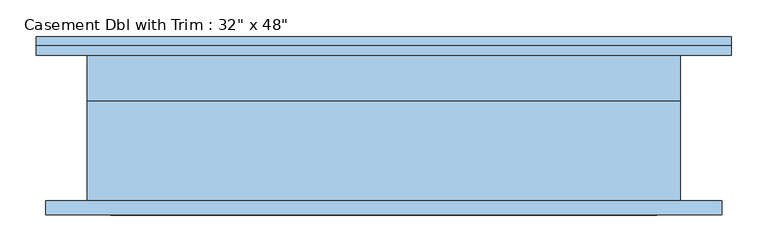
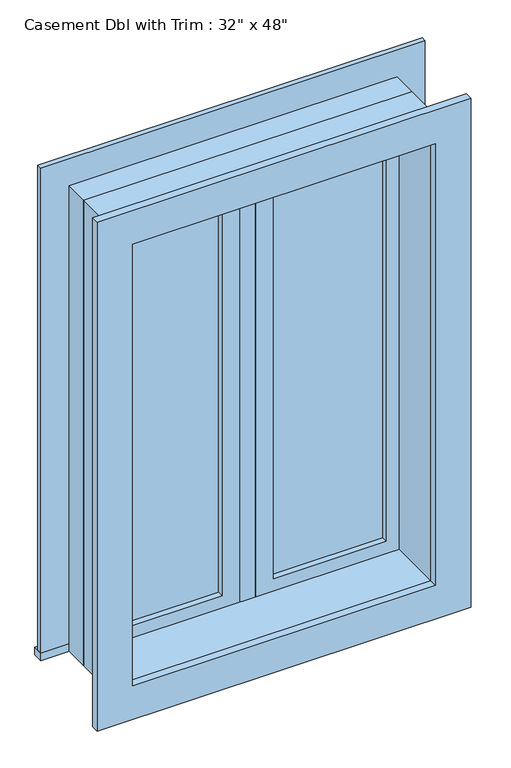
"""IFC4 building model written with IfcOpenShell, lengths in millimetres: window geometry."""

import ifcopenshell
import ifcopenshell.guid

model = None  # the IFC model being written
_history = None  # IfcOwnerHistory: only IFC2X3 demands one
_inside = {}  # id of a spatial element -> (the spatial element, [elements in it])
_under = {}  # id of a project, library or spatial element -> (it, [spatial elements below it])
_declared = {}  # id of a project -> (the project, [libraries it declares])
_typed = {}  # id of a type object -> (the type object, [elements of that type])
_made_of = {}  # id of a material, layer set ... -> (it, [elements and type objects made of it])


def new_model(schema):
    """Start an empty IFC model of exactly this schema.

    Asked for "IFC4X3", IfcOpenShell would pick the latest addendum, in which some entities
    have other attributes; the version numbers below select the first issue.
    IFC2X3 requires an IfcOwnerHistory on every rooted entity: one is made here for all.
    """
    global model, _history
    if schema == "IFC4X3":
        model = ifcopenshell.file(schema_version=(4, 3, 0, 0))
    else:
        model = ifcopenshell.file(schema=schema)
    _inside.clear()
    _under.clear()
    _declared.clear()
    _typed.clear()
    _made_of.clear()
    _history = None
    if model.schema == "IFC2X3":
        org = make("IfcOrganization", Name="unknown")
        user = make(
            "IfcPersonAndOrganization",
            ThePerson=make("IfcPerson", FamilyName="unknown"),
            TheOrganization=org,
        )
        app = make(
            "IfcApplication",
            ApplicationDeveloper=org,
            Version="unknown",
            ApplicationFullName="unknown",
            ApplicationIdentifier="unknown",
        )
        _history = make(
            "IfcOwnerHistory",
            OwningUser=user,
            OwningApplication=app,
            ChangeAction="ADDED",
            CreationDate=0,
        )
    return model


def make(cls, **values):
    """One entity of the class cls with the attributes given. An attribute that is None is left unset."""
    return model.create_entity(
        cls, **{name: value for name, value in values.items() if value is not None}
    )


def rooted(cls, **values):
    """An entity with a GlobalId (a new one), such as an element, a storey or a relation."""
    return make(cls, GlobalId=ifcopenshell.guid.new(), OwnerHistory=_history, **values)


def si_unit(unit_type, name, prefix=None):
    """IfcSIUnit, for example si_unit("LENGTHUNIT", "METRE", prefix="MILLI")."""
    return make("IfcSIUnit", UnitType=unit_type, Prefix=prefix, Name=name)


def assignment(units):
    """IfcUnitAssignment: the units of a project."""
    return None if units is None else make("IfcUnitAssignment", Units=units)


def point(xyz):
    """IfcCartesianPoint."""
    return None if xyz is None else make("IfcCartesianPoint", Coordinates=xyz)


def direction(xyz):
    """IfcDirection."""
    return None if xyz is None else make("IfcDirection", DirectionRatios=xyz)


def frame(location, z_axis=None, x_axis=None):
    """IfcAxis2Placement3D, a coordinate frame: its origin and axes. An axis left out is left unset."""
    return make(
        "IfcAxis2Placement3D",
        Location=point(location),
        Axis=direction(z_axis),
        RefDirection=direction(x_axis),
    )


def origin():
    """The frame at (0, 0, 0) with its axes left unset."""
    return frame((0.0, 0.0, 0.0))


def place(relative_to, where):
    """IfcLocalPlacement: puts the frame where relative to a parent placement (None: the world)."""
    return make(
        "IfcLocalPlacement", PlacementRelTo=relative_to, RelativePlacement=where
    )


def context(
    kind, dimensions, precision=None, world=None, true_north=None, identifier=None
):
    """IfcGeometricRepresentationContext, for example the 3D "Model" context."""
    return make(
        "IfcGeometricRepresentationContext",
        ContextIdentifier=identifier,
        ContextType=kind,
        CoordinateSpaceDimension=dimensions,
        Precision=precision,
        WorldCoordinateSystem=world,
        TrueNorth=true_north,
    )


def project(units=None, contexts=None):
    """IfcProject with its units and contexts."""
    return rooted(
        "IfcProject",
        Name="project",
        RepresentationContexts=contexts,
        UnitsInContext=assignment(units),
    )


def spatial(cls, under=None, at=None, **own):
    """A site, building, storey or space (cls), placed at a placement, below another one or the project."""
    s = rooted(cls, ObjectPlacement=at, **own)
    if under is not None:
        _under.setdefault(under.id(), (under, []))[1].append(s)
    return s


def polyline(points):
    """IfcPolyline through the points."""
    return make("IfcPolyline", Points=[point(p) for p in points])


def outline(outer, holes=None, kind="AREA"):
    """IfcArbitraryClosedProfileDef: a profile drawn as a closed curve; with holes, ...WithVoids."""
    if holes is None:
        return make("IfcArbitraryClosedProfileDef", ProfileType=kind, OuterCurve=outer)
    return make(
        "IfcArbitraryProfileDefWithVoids",
        ProfileType=kind,
        OuterCurve=outer,
        InnerCurves=holes,
    )


def extrude(swept, where, along, depth):
    """IfcExtrudedAreaSolid: the profile swept, set in the frame where, extruded along a direction by depth."""
    return make(
        "IfcExtrudedAreaSolid",
        SweptArea=swept,
        Position=where,
        ExtrudedDirection=direction(along),
        Depth=depth,
    )


def shape(context_of_items, identifier, shape_type, items):
    """IfcShapeRepresentation: the items that make up one representation, for example the "Body"."""
    return make(
        "IfcShapeRepresentation",
        ContextOfItems=context_of_items,
        RepresentationIdentifier=identifier,
        RepresentationType=shape_type,
        Items=items,
    )


def source(mapping_origin, context_of_items, identifier, shape_type, items):
    """IfcRepresentationMap: a shape defined once, which mapped items show again and again."""
    return make(
        "IfcRepresentationMap",
        MappingOrigin=mapping_origin,
        MappedRepresentation=shape(context_of_items, identifier, shape_type, items),
    )


def transform(
    local_origin,
    x_axis=None,
    y_axis=None,
    z_axis=None,
    scale=None,
    scale2=None,
    scale3=None,
    uniform=True,
):
    """IfcCartesianTransformationOperator3D, or its non-uniform kind. x_axis, y_axis, z_axis: its Axis1, 2, 3."""
    if uniform:
        return make(
            "IfcCartesianTransformationOperator3D",
            Axis1=direction(x_axis),
            Axis2=direction(y_axis),
            LocalOrigin=point(local_origin),
            Scale=scale,
            Axis3=direction(z_axis),
        )
    return make(
        "IfcCartesianTransformationOperator3DnonUniform",
        Axis1=direction(x_axis),
        Axis2=direction(y_axis),
        LocalOrigin=point(local_origin),
        Scale=scale,
        Axis3=direction(z_axis),
        Scale2=scale2,
        Scale3=scale3,
    )


def mapped(mapping_source, mapping_target):
    """IfcMappedItem: shows the shape of a source again, moved by a transform."""
    return make(
        "IfcMappedItem", MappingSource=mapping_source, MappingTarget=mapping_target
    )


def made_of(thing, what):
    """Note that an element or type object is made of a material, layer set ...; save() writes the relation."""
    if what is not None:
        _made_of.setdefault(what.id(), (what, []))[1].append(thing)
    return thing


def element(
    cls,
    number,
    at=None,
    inside=None,
    cuts=None,
    type_object=None,
    material=None,
    context=None,
    identifier="Body",
    shape_type=None,
    held_by="IfcProductDefinitionShape",
    body=None,
    shapes=None,
    **own,
):
    """One element of the class cls, such as IfcWall. Its Tag is "e" and its number.

    at: its placement. inside: the storey or other place that contains it. cuts: it is an
    opening in that element (IfcRelVoidsElement). A single representation is given by context,
    identifier, shape_type and body (its items); several are given by shapes. held_by: the class
    of the entity that holds the representations. save() writes the other relations.
    """
    e = rooted(cls, Tag="e%d" % number, ObjectPlacement=at, **own)
    if body is not None:
        shapes = [shape(context, identifier, shape_type, body)]
    if shapes is not None:
        e.Representation = make(held_by, Representations=shapes)
    if inside is not None:
        _inside.setdefault(inside.id(), (inside, []))[1].append(e)
    if cuts is not None:
        rooted(
            "IfcRelVoidsElement", RelatingBuildingElement=cuts, RelatedOpeningElement=e
        )
    if type_object is not None:
        _typed.setdefault(type_object.id(), (type_object, []))[1].append(e)
    return made_of(e, material)


def aggregate(whole, parts):
    """IfcRelAggregates: a whole, such as a stair, and the parts it consists of."""
    return rooted("IfcRelAggregates", RelatingObject=whole, RelatedObjects=parts)


def save(model, path):
    """Write the relations noted so far, then the file.

    IfcRelAggregates (storeys below a building ...), IfcRelContainedInSpatialStructure (elements
    in a storey), IfcRelDefinesByType, IfcRelAssociatesMaterial and IfcRelDeclares: one each for
    every whole, place, type object, material and project.
    """
    for whole, parts in _under.values():
        aggregate(whole, parts)
    for where, things in _inside.values():
        rooted(
            "IfcRelContainedInSpatialStructure",
            RelatedElements=things,
            RelatingStructure=where,
        )
    for kind, things in _typed.values():
        rooted("IfcRelDefinesByType", RelatedObjects=things, RelatingType=kind)
    for what, things in _made_of.values():
        rooted("IfcRelAssociatesMaterial", RelatedObjects=things, RelatingMaterial=what)
    for by, libraries in _declared.values():
        rooted("IfcRelDeclares", RelatingContext=by, RelatedDefinitions=libraries)
    model.write(path)


def window_d039b64a(model_context):
    return source(origin(), model_context, "Body", "SweptSolid", [
        extrude(outline(polyline([(63.5, 84.125), (342.9, 84.125), (342.9, 71.425), (63.5, 71.425), (63.5, 84.125)])), frame((0.0, 0.0, 977.9), z_axis=(0.0, 0.0, 1.0), x_axis=(1.0, 0.0, 0.0)), (0.0, 0.0, 1.0), 1092.2),
        extrude(outline(polyline([(2114.55, 19.05), (933.45, 19.05), (933.45, 387.35), (2114.55, 387.35), (2114.55, 19.05)]), holes=[polyline([(2070.1, 63.5), (2070.1, 342.9), (977.9, 342.9), (977.9, 63.5), (2070.1, 63.5)])]), frame((0.0, 55.55, 0.0), z_axis=(0.0, 1.0, 0.0), x_axis=(0.0, 0.0, 1.0)), (0.0, 0.0, 1.0), 44.45),
        extrude(outline(polyline([(19.05, 55.55), (-19.05, 55.55), (-19.05, 119.05), (19.05, 119.05), (19.05, 55.55)])), frame((0.0, 0.0, 933.45), z_axis=(0.0, 0.0, 1.0), x_axis=(1.0, 0.0, 0.0)), (0.0, 0.0, 1.0), 1181.1),
        extrude(outline(polyline([(-476.25, 144.45), (476.25, 144.45), (476.25, 119.05), (-476.25, 119.05), (-476.25, 144.45)])), frame((0.0, 0.0, 914.4), z_axis=(0.0, 0.0, 1.0), x_axis=(1.0, 0.0, 0.0)), (0.0, 0.0, 1.0), 19.05),
        extrude(outline(polyline([(2114.55, -387.35), (2114.55, 387.35), (933.45, 387.35), (933.45, 476.25), (2203.45, 476.25), (2203.45, -476.25), (933.45, -476.25), (933.45, -387.35), (2114.55, -387.35)])), frame((0.0, 119.05, 0.0), z_axis=(0.0, 1.0, 0.0), x_axis=(0.0, 0.0, 1.0)), (0.0, 0.0, 1.0), 12.7),
        extrude(outline(polyline([(2190.75, 463.55), (2190.75, -463.55), (857.25, -463.55), (857.25, 463.55), (2190.75, 463.55)]), holes=[polyline([(2101.85, 374.65), (946.15, 374.65), (946.15, -374.65), (2101.85, -374.65), (2101.85, 374.65)])]), frame((0.0, -100.0, 0.0), z_axis=(0.0, 1.0, 0.0), x_axis=(0.0, 0.0, 1.0)), (0.0, 0.0, 1.0), 19.05),
        extrude(outline(polyline([(-63.5, 71.425), (-342.9, 71.425), (-342.9, 84.125), (-63.5, 84.125), (-63.5, 71.425)])), frame((0.0, 0.0, 977.9), z_axis=(0.0, 0.0, 1.0), x_axis=(1.0, 0.0, 0.0)), (0.0, 0.0, 1.0), 1092.2),
        extrude(outline(polyline([(2114.55, -387.35), (933.45, -387.35), (933.45, -19.05), (2114.55, -19.05), (2114.55, -387.35)]), holes=[polyline([(2070.1, -342.9), (2070.1, -63.5), (977.9, -63.5), (977.9, -342.9), (2070.1, -342.9)])]), frame((0.0, 55.55, 0.0), z_axis=(0.0, 1.0, 0.0), x_axis=(0.0, 0.0, 1.0)), (0.0, 0.0, 1.0), 44.45),
        extrude(outline(polyline([(2133.6, -406.4), (914.4, -406.4), (914.4, 406.4), (2133.6, 406.4), (2133.6, -406.4)]), holes=[polyline([(2101.85, -374.65), (2101.85, 374.65), (946.15, 374.65), (946.15, -374.65), (2101.85, -374.65)])]), frame((0.0, -80.95, 0.0), z_axis=(0.0, 1.0, 0.0), x_axis=(0.0, 0.0, 1.0)), (0.0, 0.0, 1.0), 136.5),
        extrude(outline(polyline([(2133.6, 406.4), (2133.6, -406.4), (914.4, -406.4), (914.4, 406.4), (2133.6, 406.4)]), holes=[polyline([(2114.55, 387.35), (933.45, 387.35), (933.45, -387.35), (2114.55, -387.35), (2114.55, 387.35)])]), frame((0.0, 55.55, 0.0), z_axis=(0.0, 1.0, 0.0), x_axis=(0.0, 0.0, 1.0)), (0.0, 0.0, 1.0), 63.5),
    ])


if __name__ == "__main__":
    model = new_model("IFC4")
    model_context = context("Model", 3, world=origin())
    ifc_project = project(units=[si_unit("LENGTHUNIT", "METRE", prefix="MILLI")], contexts=[model_context])
    site = spatial("IfcSite", under=ifc_project)
    building = spatial("IfcBuilding", under=site)
    placement = place(None, origin())
    window_shape = window_d039b64a(model_context)
    element("IfcWindow", 1, ObjectType="Casement Dbl with Trim : 32\" x 48\"", at=placement, inside=building, context=model_context, shape_type="MappedRepresentation", body=[
        mapped(window_shape, transform((0.0, 0.0, 0.0), x_axis=(1.0, 0.0, 0.0), y_axis=(0.0, 1.0, 0.0), z_axis=(0.0, 0.0, 1.0))),
    ])
    save(model, "model.ifc")
